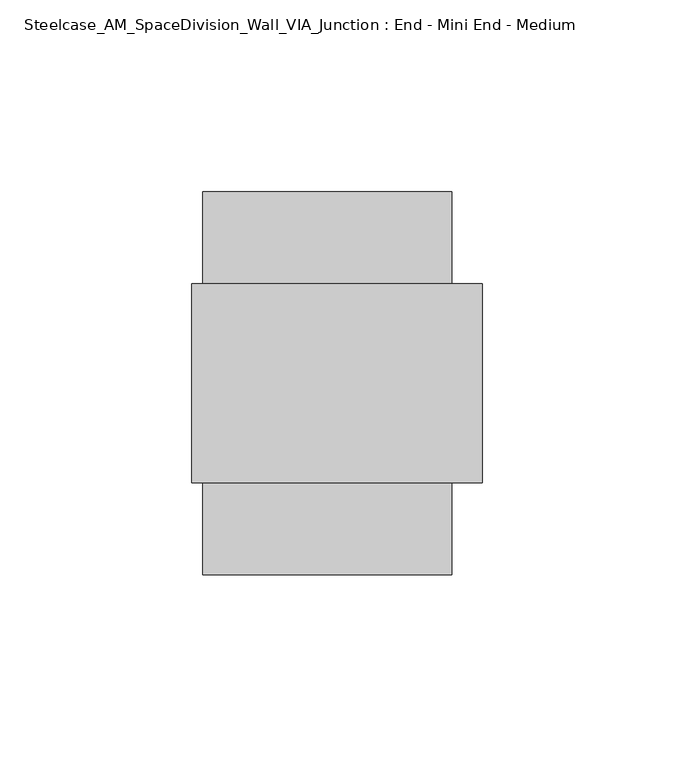
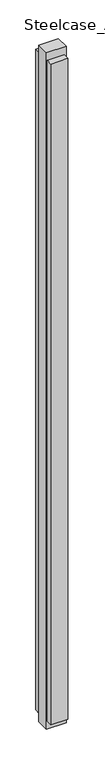
"""IFC4 building model written with IfcOpenShell, lengths in millimetres: furniture geometry, Steelcase_AM_SpaceDivision_Wall_VIA_Junction : End - Mini End - Medium."""

from ifc_helpers import new_model, si_unit, frame, origin, origin_with_axes, place, context, project, spatial, polyline, outline, extrude, source, transform, mapped, element, save


def steelcase_am_spacedivision_wall_via_junction_end_mini_end_f4209419(model_context):
    return source(origin(), model_context, "Body", "SweptSolid", [
        extrude(outline(polyline([(-108.1957113, -50.0126), (-173.1943113, -50.0126), (-173.1943113, -25.9969), (-108.1957113, -25.9969), (-108.1957113, -50.0126)])), frame((0.0, 0.0, 32.004), z_axis=(0.0, 0.0, 1.0), x_axis=(1.0, 0.0, 0.0)), (0.0, 0.0, 1.0), 2679.192),
        extrude(outline(polyline([(-108.1957113, 50.0126), (-108.1957113, 25.9969), (-173.1943113, 25.9969), (-173.1943113, 50.0126), (-108.1957113, 50.0126)])), frame((0.0, 0.0, 32.004), z_axis=(0.0, 0.0, 1.0), x_axis=(1.0, 0.0, 0.0)), (0.0, 0.0, 1.0), 2679.192),
        extrude(outline(polyline([(-176.1915113, -25.9969), (-176.1915113, 25.9969), (-100.2455113, 25.9969), (-100.2455113, -25.9969), (-176.1915113, -25.9969)])), origin_with_axes(), (0.0, 0.0, 1.0), 2743.2),
    ])


if __name__ == "__main__":
    model = new_model("IFC4")
    model_context = context("Model", 3, world=origin())
    ifc_project = project(units=[si_unit("LENGTHUNIT", "METRE", prefix="MILLI")], contexts=[model_context])
    site = spatial("IfcSite", under=ifc_project)
    building = spatial("IfcBuilding", under=site)
    placement = place(None, origin())
    steelcase_am_spacedivision_wall_via_junction_end_mini_end_shape = steelcase_am_spacedivision_wall_via_junction_end_mini_end_f4209419(model_context)
    element("IfcFurniture", 1, ObjectType="Steelcase_AM_SpaceDivision_Wall_VIA_Junction : End - Mini End - Medium", at=placement, inside=building, context=model_context, shape_type="MappedRepresentation", body=[
        mapped(steelcase_am_spacedivision_wall_via_junction_end_mini_end_shape, transform((0.0, 0.0, 0.0), x_axis=(1.0, 0.0, 0.0), y_axis=(0.0, 1.0, 0.0), z_axis=(0.0, 0.0, 1.0))),
    ])
    save(model, "model.ifc")
